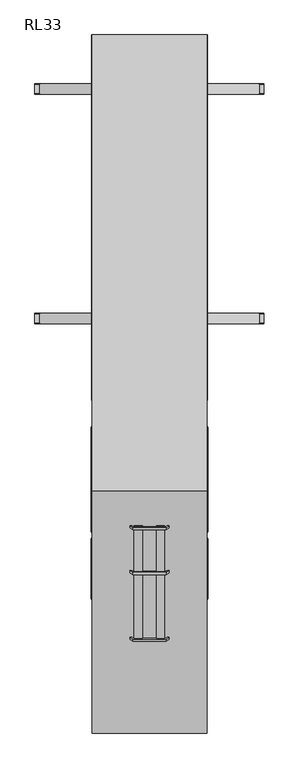
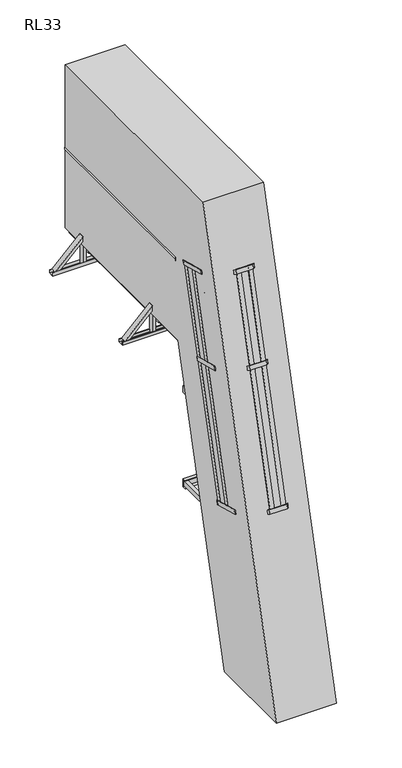
"""IFC4 building model written with IfcOpenShell, lengths in millimetres: proxy geometry, RL33."""

from ifc_helpers import new_model, si_unit, point, frame, frame_2d, origin, place, context, project, spatial, polyline, circle_curve, trimmed, segment, composite_curve, outline, extrude, faceted_brep, source, transform, mapped, element, save
from ifc_brep_helpers import plane_surface, cylinder_surface, advanced_brep


def rl33_bc4b2728(model_context):
    return source(origin(), model_context, "Body", "SolidModel", [
        extrude(outline(polyline([(0.0, 0.0), (50.0, 0.0), (50.0, -12.0), (0.0, -12.0), (0.0, 0.0)])), frame((-350.5, -890.2131523, 2027.6512779), z_axis=(0.0, 0.2588190451025218, 0.9659258262890681), x_axis=(0.0, 0.9659258262890681, -0.2588190451025218)), (0.0, 0.0, 1.0), 2673.4666314),
        extrude(outline(polyline([(155.1413289, 0.0), (205.141329, 0.0), (205.141329, -12.0), (155.1413289, -12.0), (155.1413289, 0.0)])), frame((-350.5, -890.2131523, 2027.6512779), z_axis=(0.0, 0.2588190451025218, 0.9659258262890681), x_axis=(0.0, 0.9659258262890681, -0.2588190451025218)), (0.0, 0.0, 1.0), 2673.4666314),
        extrude(outline(polyline([(-689.6938017, 0.0), (-508.9999999, 0.0), (-326.6307118, -82.9303487), (-125.331423, -385.8857785), (-123.1191169, -480.465669), (-65.9701383, -566.4748818), (-70.9675427, -569.7954163), (-129.0768962, -482.3408392), (-131.2892023, -387.7609487), (-330.6777006, -87.6812588), (-510.3001578, -6.0), (-687.8821736, -6.0), (-851.4445075, -114.6792916), (-920.2481735, -278.3907082), (-914.5411146, -475.6303711), (-715.1526164, -775.710061), (-628.8173362, -814.3942877), (-570.7079827, -901.8488647), (-575.7053871, -905.1693992), (-632.8543656, -819.1601865), (-719.1896458, -780.4759598), (-920.4889347, -477.52053), (-926.2832673, -277.2646295), (-856.2739484, -110.6844828), (-689.6938017, 0.0)])), frame((-674.4464732, -521.7680377, 3557.8992312), z_axis=(0.0, 0.2588190451025218, 0.9659258262890681), x_axis=(-0.8329007332923329, 0.5345650026725307, -0.1432362607680447)), (0.0, 0.0, 1.0), 50.0),
        extrude(outline(polyline([(273.0, 0.0), (423.5, -100.0), (529.5, -270.0), (529.5, -633.7353379), (479.0, -713.7353379), (479.0, -817.0), (473.0, -817.0), (473.0, -712.0), (523.5, -632.0), (523.5, -271.7173421), (419.0965631, -104.2778679), (271.1883719, -6.0), (74.8116281, -6.0), (-73.0965631, -104.2778679), (-177.5, -271.7173421), (-177.5, -632.0), (-127.0, -712.0), (-127.0, -817.0), (-133.0, -817.0), (-133.0, -713.7353379), (-183.5, -633.7353379), (-183.5, -270.0), (-77.5, -100.0), (73.0, 0.0), (273.0, 0.0)])), frame((173.0, -1297.6973377, 2136.8363363), z_axis=(0.0, 0.2588190451025218, 0.9659258262890681), x_axis=(-1.0, 0.0, 0.0)), (0.0, 0.0, 1.0), 50.0),
        extrude(outline(polyline([(-6.6130211, 0.0), (5.3869788, 0.0), (5.3869788, -50.0), (-6.6130211, -50.0), (-6.6130211, 0.0)])), frame((-93.1883719, -1285.5140949, 2133.5718462), z_axis=(0.0, 0.2588190451025218, 0.9659258262890681), x_axis=(0.0, 0.9659258262890681, -0.2588190451025218)), (0.0, 0.0, 1.0), 2673.4666314),
        extrude(outline(polyline([(218.7828094, 218.028353), (212.433594, 228.2110571), (254.8615277, 254.6661216), (261.2107431, 244.4834176), (218.7828094, 218.028353)])), frame((-93.1883719, -1285.5140949, 2133.5718462), z_axis=(0.0, 0.2588190451025218, 0.9659258262890681), x_axis=(0.0, 0.9659258262890681, -0.2588190451025218)), (0.0, 0.0, 1.0), 2673.4666314),
        extrude(outline(polyline([(61.2266141, 107.0986509), (88.8977348, 148.7436876), (98.8925436, 142.1026186), (71.2214228, 100.4575819), (61.2266141, 107.0986509)])), frame((-93.1883719, -1285.5140949, 2133.5718462), z_axis=(0.0, 0.2588190451025218, 0.9659258262890681), x_axis=(0.0, 0.9659258262890681, -0.2588190451025218)), (0.0, 0.0, 1.0), 2673.4666314),
        extrude(outline(polyline([(-6.6130211, -186.3767438), (-6.6130211, -136.3767438), (5.3869788, -136.3767438), (5.3869788, -186.3767438), (-6.6130211, -186.3767438)])), frame((-93.1883719, -1285.5140949, 2133.5718462), z_axis=(0.0, 0.2588190451025218, 0.9659258262890681), x_axis=(0.0, 0.9659258262890681, -0.2588190451025218)), (0.0, 0.0, 1.0), 2673.4666314),
        extrude(outline(polyline([(218.7828094, -404.4050968), (261.2107431, -430.8601614), (254.8615277, -441.0428654), (212.433594, -414.5878009), (218.7828094, -404.4050968)])), frame((-93.1883719, -1285.5140949, 2133.5718462), z_axis=(0.0, 0.2588190451025218, 0.9659258262890681), x_axis=(0.0, 0.9659258262890681, -0.2588190451025218)), (0.0, 0.0, 1.0), 2673.4666314),
        extrude(outline(polyline([(61.2266141, -293.4753947), (71.2214228, -286.8343257), (98.8925436, -328.4793624), (88.8977348, -335.1204314), (61.2266141, -293.4753947)])), frame((-93.1883719, -1285.5140949, 2133.5718462), z_axis=(0.0, 0.2588190451025218, 0.9659258262890681), x_axis=(0.0, 0.9659258262890681, -0.2588190451025218)), (0.0, 0.0, 1.0), 2673.4666314),
        extrude(outline(polyline([(409.24565, -443.6883719), (409.24565, -431.6883719), (459.24565, -431.6883719), (459.24565, -443.6883719), (409.24565, -443.6883719)])), frame((-93.1883719, -1285.5140949, 2133.5718462), z_axis=(0.0, 0.2588190451025218, 0.9659258262890681), x_axis=(0.0, 0.9659258262890681, -0.2588190451025218)), (0.0, 0.0, 1.0), 2673.4666314),
        extrude(outline(polyline([(564.3869788, -443.6883719), (564.3869788, -431.6883719), (614.3869789, -431.6883719), (614.3869789, -443.6883719), (564.3869788, -443.6883719)])), frame((-93.1883719, -1285.5140949, 2133.5718462), z_axis=(0.0, 0.2588190451025218, 0.9659258262890681), x_axis=(0.0, 0.9659258262890681, -0.2588190451025218)), (0.0, 0.0, 1.0), 2673.4666314),
        extrude(outline(polyline([(-689.6938017, 0.0), (-509.0, 1e-07), (-326.6307118, -82.9303487), (-125.331423, -385.8857784), (-123.1191169, -480.465669), (-65.9701383, -566.4748818), (-70.9675427, -569.7954163), (-129.0768962, -482.3408392), (-131.2892023, -387.7609487), (-330.6777006, -87.6812587), (-510.3001578, -6.0), (-687.8821737, -5.9999999), (-851.4445076, -114.6792916), (-920.2481735, -278.3907081), (-914.5411146, -475.630371), (-715.1526164, -775.710061), (-628.8173362, -814.3942877), (-570.7079827, -901.8488647), (-575.7053871, -905.1693992), (-632.8543657, -819.1601864), (-719.1896459, -780.4759597), (-920.4889347, -477.52053), (-926.2832674, -277.2646294), (-856.2739484, -110.6844828), (-689.6938017, 0.0)])), frame((-674.4464732, -250.0080403, 4572.1213488), z_axis=(0.0, 0.2588190451025218, 0.965925826289068), x_axis=(-0.832900733292333, 0.5345650026725307, -0.1432362607680447)), (0.0, 0.0, 1.0), 50.0),
        extrude(outline(composite_curve([segment(polyline([(-216.6799282, 3198.1285392), (-212.2800044, 3214.5492783)]), True, "CONTINUOUS"), segment(trimmed(circle_curve(frame_2d((-193.903855, 3196.1966773)), 25.9711538), [point((-212.2800044, 3214.5492783))], [point((-168.8133422, 3202.9024213))], False, "CARTESIAN"), True, "CONTINUOUS"), segment(polyline([(-168.8133422, 3202.9024213), (-173.213266, 3186.4816822), (-216.6799282, 3198.1285392)]), True, "CONTINUOUS")], self_intersect=False)), frame((-262.0, 0.0, 0.0), z_axis=(1.0, 0.0, 0.0), x_axis=(0.0, 1.0, 0.0)), (0.0, 0.0, 1.0), 524.0),
        extrude(outline(composite_curve([segment(polyline([(-291.3619539, 2919.4114248), (-286.9620302, 2935.8321638)]), True, "CONTINUOUS"), segment(trimmed(circle_curve(frame_2d((-268.5858807, 2917.4795628)), 25.9711538), [point((-286.9620302, 2935.8321638))], [point((-243.495368, 2924.1853068))], False, "CARTESIAN"), True, "CONTINUOUS"), segment(polyline([(-243.495368, 2924.1853068), (-247.8952917, 2907.7645677), (-291.3619539, 2919.4114248)]), True, "CONTINUOUS")], self_intersect=False)), frame((-262.0, 0.0, 0.0), z_axis=(1.0, 0.0, 0.0), x_axis=(0.0, 1.0, 0.0)), (0.0, 0.0, 1.0), 524.0),
        extrude(outline(composite_curve([segment(polyline([(-366.0439797, 2640.6943103), (-361.6440559, 2657.1150493)]), True, "CONTINUOUS"), segment(trimmed(circle_curve(frame_2d((-343.2679065, 2638.7624483)), 25.9711538), [point((-361.6440559, 2657.1150493))], [point((-318.1773937, 2645.4681923))], False, "CARTESIAN"), True, "CONTINUOUS"), segment(polyline([(-318.1773937, 2645.4681923), (-322.5773175, 2629.0474533), (-366.0439797, 2640.6943103)]), True, "CONTINUOUS")], self_intersect=False)), frame((-262.0, 0.0, 0.0), z_axis=(1.0, 0.0, 0.0), x_axis=(0.0, 1.0, 0.0)), (0.0, 0.0, 1.0), 524.0),
        extrude(outline(composite_curve([segment(polyline([(-440.7260054, 2361.9771958), (-436.3260816, 2378.3979349)]), True, "CONTINUOUS"), segment(trimmed(circle_curve(frame_2d((-417.9499322, 2360.0453338)), 25.9711538), [point((-436.3260816, 2378.3979349))], [point((-392.8594195, 2366.7510778))], False, "CARTESIAN"), True, "CONTINUOUS"), segment(polyline([(-392.8594195, 2366.7510778), (-397.2593432, 2350.3303388), (-440.7260054, 2361.9771958)]), True, "CONTINUOUS")], self_intersect=False)), frame((-262.0, 0.0, 0.0), z_axis=(1.0, 0.0, 0.0), x_axis=(0.0, 1.0, 0.0)), (0.0, 0.0, 1.0), 524.0),
        extrude(outline(composite_curve([segment(polyline([(-515.4080312, 2083.2600813), (-511.0081074, 2099.6808204)]), True, "CONTINUOUS"), segment(trimmed(circle_curve(frame_2d((-492.6319579, 2081.3282194)), 25.9711538), [point((-511.0081074, 2099.6808204))], [point((-467.5414452, 2088.0339633))], False, "CARTESIAN"), True, "CONTINUOUS"), segment(polyline([(-467.5414452, 2088.0339633), (-471.941369, 2071.6132243), (-515.4080312, 2083.2600813)]), True, "CONTINUOUS")], self_intersect=False)), frame((-262.0, 0.0, 0.0), z_axis=(1.0, 0.0, 0.0), x_axis=(0.0, 1.0, 0.0)), (0.0, 0.0, 1.0), 524.0),
        extrude(outline(composite_curve([segment(polyline([(-590.0900569, 1804.5429669), (-585.6901331, 1820.9637059)]), True, "CONTINUOUS"), segment(trimmed(circle_curve(frame_2d((-567.3139837, 1802.6111049)), 25.9711538), [point((-585.6901331, 1820.9637059))], [point((-542.2234709, 1809.3168489))], False, "CARTESIAN"), True, "CONTINUOUS"), segment(polyline([(-542.2234709, 1809.3168489), (-546.6233947, 1792.8961098), (-590.0900569, 1804.5429669)]), True, "CONTINUOUS")], self_intersect=False)), frame((-262.0, 0.0, 0.0), z_axis=(1.0, 0.0, 0.0), x_axis=(0.0, 1.0, 0.0)), (0.0, 0.0, 1.0), 524.0),
        extrude(outline(composite_curve([segment(polyline([(-664.7720826, 1525.8258524), (-660.3721589, 1542.2465914)]), True, "CONTINUOUS"), segment(trimmed(circle_curve(frame_2d((-641.9960094, 1523.8939904)), 25.9711538), [point((-660.3721589, 1542.2465914))], [point((-616.9054967, 1530.5997344))], False, "CARTESIAN"), True, "CONTINUOUS"), segment(polyline([(-616.9054967, 1530.5997344), (-621.3054205, 1514.1789953), (-664.7720826, 1525.8258524)]), True, "CONTINUOUS")], self_intersect=False)), frame((-262.0, 0.0, 0.0), z_axis=(1.0, 0.0, 0.0), x_axis=(0.0, 1.0, 0.0)), (0.0, 0.0, 1.0), 524.0),
        extrude(outline(composite_curve([segment(polyline([(-739.4541084, 1247.1087379), (-735.0541846, 1263.5294769)]), True, "CONTINUOUS"), segment(trimmed(circle_curve(frame_2d((-716.6780352, 1245.1768759)), 25.9711538), [point((-735.0541846, 1263.5294769))], [point((-691.5875224, 1251.8826199))], False, "CARTESIAN"), True, "CONTINUOUS"), segment(polyline([(-691.5875224, 1251.8826199), (-695.9874462, 1235.4618809), (-739.4541084, 1247.1087379)]), True, "CONTINUOUS")], self_intersect=False)), frame((-262.0, 0.0, 0.0), z_axis=(1.0, 0.0, 0.0), x_axis=(0.0, 1.0, 0.0)), (0.0, 0.0, 1.0), 524.0),
        extrude(outline(composite_curve([segment(polyline([(-814.1361341, 968.3916234), (-809.7362104, 984.8123625)]), True, "CONTINUOUS"), segment(trimmed(circle_curve(frame_2d((-791.3600609, 966.4597614)), 25.9711538), [point((-809.7362104, 984.8123625))], [point((-766.2695482, 973.1655054))], False, "CARTESIAN"), True, "CONTINUOUS"), segment(polyline([(-766.2695482, 973.1655054), (-770.6694719, 956.7447664), (-814.1361341, 968.3916234)]), True, "CONTINUOUS")], self_intersect=False)), frame((-262.0, 0.0, 0.0), z_axis=(1.0, 0.0, 0.0), x_axis=(0.0, 1.0, 0.0)), (0.0, 0.0, 1.0), 524.0),
        extrude(outline(composite_curve([segment(polyline([(-888.8181599, 689.6745089), (-884.4182361, 706.095248)]), True, "CONTINUOUS"), segment(trimmed(circle_curve(frame_2d((-866.0420867, 687.742647)), 25.9711538), [point((-884.4182361, 706.095248))], [point((-840.9515739, 694.448391))], False, "CARTESIAN"), True, "CONTINUOUS"), segment(polyline([(-840.9515739, 694.448391), (-845.3514977, 678.0276519), (-888.8181599, 689.6745089)]), True, "CONTINUOUS")], self_intersect=False)), frame((-262.0, 0.0, 0.0), z_axis=(1.0, 0.0, 0.0), x_axis=(0.0, 1.0, 0.0)), (0.0, 0.0, 1.0), 524.0),
        extrude(outline(composite_curve([segment(polyline([(-963.5001856, 410.9573945), (-959.1002618, 427.3781335)]), True, "CONTINUOUS"), segment(trimmed(circle_curve(frame_2d((-940.7241124, 409.0255325)), 25.9711538), [point((-959.1002618, 427.3781335))], [point((-915.6335997, 415.7312765))], False, "CARTESIAN"), True, "CONTINUOUS"), segment(polyline([(-915.6335997, 415.7312765), (-920.0335234, 399.3105374), (-963.5001856, 410.9573945)]), True, "CONTINUOUS")], self_intersect=False)), frame((-262.0, 0.0, 0.0), z_axis=(1.0, 0.0, 0.0), x_axis=(0.0, 1.0, 0.0)), (0.0, 0.0, 1.0), 524.0),
        extrude(outline(composite_curve([segment(polyline([(-141.9979024, 3476.8456537), (-137.5979787, 3493.2663928)]), True, "CONTINUOUS"), segment(trimmed(circle_curve(frame_2d((-119.2218292, 3474.9137918)), 25.9711538), [point((-137.5979787, 3493.2663928))], [point((-94.1313165, 3481.6195357))], False, "CARTESIAN"), True, "CONTINUOUS"), segment(polyline([(-94.1313165, 3481.6195357), (-98.5312403, 3465.1987967), (-141.9979024, 3476.8456537)]), True, "CONTINUOUS")], self_intersect=False)), frame((-262.0, 0.0, 0.0), z_axis=(1.0, 0.0, 0.0), x_axis=(0.0, 1.0, 0.0)), (0.0, 0.0, 1.0), 524.0),
        extrude(outline(composite_curve([segment(polyline([(-1038.1822113, 132.24028), (-1033.7822876, 148.661019)]), True, "CONTINUOUS"), segment(trimmed(circle_curve(frame_2d((-1015.4061381, 130.308418)), 25.9711538), [point((-1033.7822876, 148.661019))], [point((-990.3156254, 137.014162))], False, "CARTESIAN"), True, "CONTINUOUS"), segment(polyline([(-990.3156254, 137.014162), (-994.7155492, 120.5934229), (-1038.1822113, 132.24028)]), True, "CONTINUOUS")], self_intersect=False)), frame((-262.0, 0.0, 0.0), z_axis=(1.0, 0.0, 0.0), x_axis=(0.0, 1.0, 0.0)), (0.0, 0.0, 1.0), 524.0),
        extrude(outline(polyline([(-38.0, 0.0), (0.0, 0.0), (0.0, -58.0), (-38.0, -58.0), (-38.0, 0.0)])), frame((262.0, -1075.5190146, 18.0115046), z_axis=(0.0, 0.2588190451025084, 0.9659258262890716), x_axis=(-1.0, 0.0, 0.0)), (0.0, 0.0, 1.0), 4662.5902763),
        extrude(outline(polyline([(-38.0, 0.0), (0.0, 0.0), (0.0, -58.0), (-38.0, -58.0), (-38.0, 0.0)])), frame((-300.0, -1075.5190146, 18.0115046), z_axis=(0.0, 0.2588190451025084, 0.9659258262890716), x_axis=(-1.0, 0.0, 0.0)), (0.0, 0.0, 1.0), 4662.5902763),
        faceted_brep([(-303.5, -1270.3221735, 0.0), (-250.5, -1270.3221735, 0.0), (-250.5, -1270.3221735, 3.0), (-300.5, -1270.3221735, 3.0), (-303.5, -1270.3221735, 3.0), (-300.5, -910.3221735, 3.0), (-250.5, -910.3221735, 3.0), (-250.5, -910.3221735, 0.0), (-303.5, -910.3221735, 0.0), (-303.5, -910.3221735, 3.0), (-300.5, -1223.3221735, 50.0), (-300.5, -957.3221735, 50.0), (-303.5, -957.3221735, 50.0), (-303.5, -1223.3221735, 50.0)], [[[0, 1, 2, 3, 4]], [[5, 6, 7, 8, 9]], [[10, 11, 12, 13]], [[8, 0, 4, 13, 12, 9]], [[1, 0, 8, 7]], [[2, 1, 7, 6]], [[3, 2, 6, 5]], [[3, 5, 11, 10]], [[5, 9, 12, 11]], [[4, 3, 10, 13]]]),
        faceted_brep([(300.5, -1270.3221735, 3.0), (250.5, -1270.3221735, 3.0), (250.5, -1270.3221735, 0.0), (303.5, -1270.3221735, 0.0), (303.5, -1270.3221735, 3.0), (303.5, -910.3221735, 0.0), (250.5, -910.3221735, 0.0), (250.5, -910.3221735, 3.0), (300.5, -910.3221735, 3.0), (303.5, -910.3221735, 3.0), (303.5, -957.3221735, 50.0), (303.5, -1223.3221735, 50.0), (300.5, -957.3221735, 50.0), (300.5, -1223.3221735, 50.0)], [[[0, 1, 2, 3, 4]], [[5, 6, 7, 8, 9]], [[1, 0, 8, 7]], [[2, 1, 7, 6]], [[3, 2, 6, 5]], [[3, 5, 9, 10, 11, 4]], [[11, 10, 12, 13]], [[8, 0, 13, 12]], [[9, 8, 12, 10]], [[0, 4, 11, 13]]]),
        advanced_brep(
        [(309.5, 2400.0, 3986.25), (309.5, 2400.0, 3959.75), (309.5, 41.3809842, 3986.25), (309.5, 41.3809842, 3959.75), (294.5187617, 41.3809842, 3993.0)],
        [
            (0, 1),
            (1, 0, circle_curve(frame((294.5187617, 2400.0, 3973.0), z_axis=(0.0, 1.0, 0.0), x_axis=(-1.0, 0.0, 0.0)), 20.0)),
            (0, 2),
            (2, 3),
            (3, 1),
            (3, 4, circle_curve(frame((294.5187617, 41.3809842, 3973.0), z_axis=(0.0, 1.0, 0.0), x_axis=(-1.0, 0.0, 0.0)), 20.0)),
            (4, 2, circle_curve(frame((294.5187617, 41.3809842, 3973.0), z_axis=(0.0, 1.0, 0.0), x_axis=(-1.0, 0.0, 0.0)), 20.0)),
        ],
        [
            plane_surface(frame((274.5187617, 2400.0, 3973.0), z_axis=(0.0, 1.0, 0.0), x_axis=(0.0, 0.0, 1.0))),
            plane_surface(frame((309.5, 0.0, 3959.75), z_axis=(1.0, 0.0, 0.0), x_axis=(0.0, 1.0, 0.0))),
            cylinder_surface(frame((294.5187617, 2400.0, 3973.0), z_axis=(0.0, -1.0, 0.0), x_axis=(-1.0, 0.0, 0.0)), 20.0),
            plane_surface(frame((372.2487373, 41.3809842, 3500.0), z_axis=(0.0, -1.0, 0.0), x_axis=(-1.0, 0.0, 0.0))),
        ],
        [
            (0, [[1, 2]]),
            (1, [[-1, 3, 4, 5]]),
            (2, [[-2, -5, 6, 7, -3]]),
            (3, [[-4, -7, -6]]),
        ],
    ),
        advanced_brep(
        [(-309.5, 2400.0, 3986.25), (-309.5, 2400.0, 3959.75), (-309.5, 41.3809842, 3959.75), (-309.5, 41.3809842, 3986.25), (-294.5187617, 41.3809842, 3993.0)],
        [
            (0, 1, circle_curve(frame((-294.5187617, 2400.0, 3973.0), z_axis=(0.0, 1.0, 0.0), x_axis=(1.0, 0.0, 0.0)), 20.0)),
            (1, 0),
            (1, 2),
            (2, 3),
            (3, 0),
            (3, 4, circle_curve(frame((-294.5187617, 41.3809842, 3973.0), z_axis=(0.0, 1.0, 0.0), x_axis=(1.0, 0.0, 0.0)), 20.0)),
            (4, 2, circle_curve(frame((-294.5187617, 41.3809842, 3973.0), z_axis=(0.0, 1.0, 0.0), x_axis=(1.0, 0.0, 0.0)), 20.0)),
        ],
        [
            plane_surface(frame((-309.5, 2400.0, 3959.75), z_axis=(0.0, 1.0, 0.0), x_axis=(0.0, 0.0, 1.0))),
            plane_surface(frame((-309.5, 0.0, 3986.25), z_axis=(-1.0, 0.0, 0.0), x_axis=(0.0, 1.0, 0.0))),
            cylinder_surface(frame((-294.5187617, 2400.0, 3973.0), z_axis=(0.0, -1.0, 0.0), x_axis=(1.0, 0.0, 0.0)), 20.0),
            plane_surface(frame((372.2487373, 41.3809842, 3500.0), z_axis=(0.0, -1.0, 0.0), x_axis=(-1.0, 0.0, 0.0))),
        ],
        [
            (0, [[1, 2]]),
            (1, [[-2, 3, 4, 5]]),
            (2, [[-1, -5, 6, 7, -3]]),
            (3, [[-4, -7, -6]]),
        ],
    ),
        advanced_brep(
        [(349.5, 2400.0, 4461.43534), (349.5, 2400.0, 4443.0), (307.5, 2400.0, 4443.0), (307.5, 2400.0, 4461.43534), (349.5, 172.6760885, 4461.43534), (349.5, 172.6760885, 4443.0), (307.5, 172.6760885, 4443.0), (307.5, 172.6760885, 4461.43534), (328.5, 172.6760885, 4500.0)],
        [
            (0, 1),
            (1, 2),
            (2, 3),
            (3, 0, circle_curve(frame((328.5, 2400.0, 4475.0), z_axis=(0.0, 1.0, 0.0), x_axis=(-1.0, 0.0, 0.0)), 25.0)),
            (0, 4),
            (4, 5),
            (5, 1),
            (5, 6),
            (6, 2),
            (6, 7),
            (7, 3),
            (7, 8, circle_curve(frame((328.5, 172.6760885, 4475.0), z_axis=(0.0, 1.0, 0.0), x_axis=(-1.0, 0.0, 0.0)), 25.0)),
            (8, 4, circle_curve(frame((328.5, 172.6760885, 4475.0), z_axis=(0.0, 1.0, 0.0), x_axis=(-1.0, 0.0, 0.0)), 25.0)),
        ],
        [
            plane_surface(frame((303.5, 2400.0, 4475.0), z_axis=(0.0, 1.0, 0.0), x_axis=(0.0, 0.0, 1.0))),
            plane_surface(frame((349.5, 0.0, 4443.0), z_axis=(1.0, 0.0, 0.0), x_axis=(0.0, 1.0, 0.0))),
            plane_surface(frame((307.5, 0.0, 4443.0), z_axis=(0.0, 0.0, -1.0), x_axis=(0.0, 1.0, 0.0))),
            plane_surface(frame((307.5, 0.0, 4461.43534), z_axis=(-1.0, 0.0, 0.0), x_axis=(0.0, 1.0, 0.0))),
            cylinder_surface(frame((328.5, 2400.0, 4475.0), z_axis=(0.0, -1.0, 0.0), x_axis=(-1.0, 0.0, 0.0)), 25.0),
            plane_surface(frame((372.2487373, 172.6760885, 4443.0), z_axis=(0.0, -1.0, 0.0), x_axis=(-1.0, 0.0, 0.0))),
        ],
        [
            (0, [[1, 2, 3, 4]]),
            (1, [[-1, 5, 6, 7]]),
            (2, [[-2, -7, 8, 9]]),
            (3, [[-3, -9, 10, 11]]),
            (4, [[-4, -11, 12, 13, -5]]),
            (5, [[-6, -13, -12, -10, -8]]),
        ],
    ),
        advanced_brep(
        [(-349.5, 2400.0, 4461.43534), (-307.5, 2400.0, 4461.43534), (-307.5, 2400.0, 4443.0), (-349.5, 2400.0, 4443.0), (-349.5, 172.6760885, 4443.0), (-349.5, 172.6760885, 4461.43534), (-307.5, 172.6760885, 4443.0), (-307.5, 172.6760885, 4461.43534), (-328.5, 172.6760885, 4500.0)],
        [
            (0, 1, circle_curve(frame((-328.5, 2400.0, 4475.0), z_axis=(0.0, 1.0, 0.0), x_axis=(1.0, 0.0, 0.0)), 25.0)),
            (1, 2),
            (2, 3),
            (3, 0),
            (3, 4),
            (4, 5),
            (5, 0),
            (2, 6),
            (6, 4),
            (1, 7),
            (7, 6),
            (5, 8, circle_curve(frame((-328.5, 172.6760885, 4475.0), z_axis=(0.0, 1.0, 0.0), x_axis=(1.0, 0.0, 0.0)), 25.0)),
            (8, 7, circle_curve(frame((-328.5, 172.6760885, 4475.0), z_axis=(0.0, 1.0, 0.0), x_axis=(1.0, 0.0, 0.0)), 25.0)),
        ],
        [
            plane_surface(frame((-349.5, 2400.0, 4443.0), z_axis=(0.0, 1.0, 0.0), x_axis=(0.0, 0.0, 1.0))),
            plane_surface(frame((-349.5, 0.0, 4461.43534), z_axis=(-1.0, 0.0, 0.0), x_axis=(0.0, 1.0, 0.0))),
            plane_surface(frame((-349.5, 0.0, 4443.0), z_axis=(0.0, 0.0, -1.0), x_axis=(0.0, 1.0, 0.0))),
            plane_surface(frame((-307.5, 0.0, 4443.0), z_axis=(1.0, 0.0, 0.0), x_axis=(0.0, 1.0, 0.0))),
            cylinder_surface(frame((-328.5, 2400.0, 4475.0), z_axis=(0.0, -1.0, 0.0), x_axis=(1.0, 0.0, 0.0)), 25.0),
            plane_surface(frame((372.2487373, 172.6760885, 4443.0), z_axis=(0.0, -1.0, 0.0), x_axis=(-1.0, 0.0, 0.0))),
        ],
        [
            (0, [[1, 2, 3, 4]]),
            (1, [[-4, 5, 6, 7]]),
            (2, [[-3, 8, 9, -5]]),
            (3, [[-2, 10, 11, -8]]),
            (4, [[-1, -7, 12, 13, -10]]),
            (5, [[-6, -9, -11, -13, -12]]),
        ],
    ),
        extrude(outline(polyline([(300.0, 2400.0), (300.0, -80.0), (-300.0, -80.0), (-300.0, 2400.0), (300.0, 2400.0)]), holes=[polyline([(262.0, 2362.0), (-262.0, 2362.0), (-262.0, -42.0), (262.0, -42.0), (262.0, 2362.0)])]), frame((0.0, 0.0, 3424.2375855), z_axis=(0.0, 0.0, 1.0), x_axis=(1.0, 0.0, 0.0)), (0.0, 0.0, 1.0), 57.2624145),
        extrude(outline(polyline([(699.5, 3288.0), (702.5, 3288.0), (702.5, 3250.0), (637.5, 3250.0), (637.5, 3288.0), (640.5, 3288.0), (640.5, 3253.0), (699.5, 3253.0), (699.5, 3288.0)])), frame((-700.0, 0.0, 0.0), z_axis=(1.0, 0.0, 0.0), x_axis=(0.0, 1.0, 0.0)), (0.0, 0.0, 1.0), 1400.0),
        extrude(outline(polyline([(2102.5, 3288.0), (2102.5, 3250.0), (2037.5, 3250.0), (2037.5, 3288.0), (2040.5, 3288.0), (2040.5, 3253.0), (2099.5, 3253.0), (2099.5, 3288.0), (2102.5, 3288.0)])), frame((-700.0, 0.0, 0.0), z_axis=(1.0, 0.0, 0.0), x_axis=(0.0, 1.0, 0.0)), (0.0, 0.0, 1.0), 1400.0),
        extrude(outline(polyline([(-29.0, -38.0), (-32.0, -38.0), (-32.0, 0.0), (32.0, 0.0), (32.0, -38.0), (29.0, -38.0), (29.0, -2.9999999), (-29.0, -2.9999999), (-29.0, -38.0)])), frame((670.0, 670.0, 3288.0), z_axis=(-0.7071067811865459, 0.0, 0.7071067811865492), x_axis=(0.0, -1.0, 0.0)), (0.0, 0.0, 1.0), 456.0838739),
        extrude(outline(polyline([(-29.0, 38.0), (-29.0, 2.9999999), (29.0, 2.9999999), (29.0, 38.0), (32.0, 38.0), (32.0, 0.0), (-32.0, 0.0), (-32.0, 38.0), (-29.0, 38.0)])), frame((-670.0, 670.0, 3288.0), z_axis=(0.7071067811865526, 0.0, 0.7071067811865425), x_axis=(0.0, -1.0, 0.0)), (0.0, 0.0, 1.0), 456.0838739),
        extrude(outline(polyline([(-29.0, -38.0), (-32.0, -38.0), (-32.0, 0.0), (32.0, 0.0), (32.0, -38.0), (29.0, -38.0), (29.0, -2.9999999), (-29.0, -2.9999999), (-29.0, -38.0)])), frame((670.0, 2070.0, 3288.0), z_axis=(-0.7071067811865461, 0.0, 0.7071067811865491), x_axis=(0.0, -1.0, 0.0)), (0.0, 0.0, 1.0), 456.0838739),
        extrude(outline(polyline([(-29.0, 38.0), (-29.0, 2.9999999), (29.0, 2.9999999), (29.0, 38.0), (32.0, 38.0), (32.0, 0.0), (-32.0, 0.0), (-32.0, 38.0), (-29.0, 38.0)])), frame((-670.0, 2070.0, 3288.0), z_axis=(0.7071067811865526, 0.0, 0.7071067811865425), x_axis=(0.0, -1.0, 0.0)), (0.0, 0.0, 1.0), 456.0838739),
        extrude(outline(polyline([(347.5, 699.0), (347.5, 641.0), (309.5, 641.0), (309.5, 699.0), (347.5, 699.0)])), frame((0.0, 0.0, 3253.0), z_axis=(0.0, 0.0, 1.0), x_axis=(1.0, 0.0, 0.0)), (0.0, 0.0, 1.0), 1190.0),
        extrude(outline(polyline([(347.5, 2099.0), (347.5, 2041.0), (309.5, 2041.0), (309.5, 2099.0), (347.5, 2099.0)])), frame((0.0, 0.0, 3253.0), z_axis=(0.0, 0.0, 1.0), x_axis=(1.0, 0.0, 0.0)), (0.0, 0.0, 1.0), 1190.0),
        extrude(outline(polyline([(-309.5, 2099.0), (-309.5, 2041.0), (-347.5, 2041.0), (-347.5, 2099.0), (-309.5, 2099.0)])), frame((0.0, 0.0, 3253.0), z_axis=(0.0, 0.0, 1.0), x_axis=(1.0, 0.0, 0.0)), (0.0, 0.0, 1.0), 1190.0),
        extrude(outline(polyline([(-309.5, 699.0), (-309.5, 641.0), (-347.5, 641.0), (-347.5, 699.0), (-309.5, 699.0)])), frame((0.0, 0.0, 3253.0), z_axis=(0.0, 0.0, 1.0), x_axis=(1.0, 0.0, 0.0)), (0.0, 0.0, 1.0), 1190.0),
        extrude(outline(polyline([(300.0, 2400.0), (300.0, -80.0), (-300.0, -80.0), (-300.0, 2400.0), (300.0, 2400.0)])), frame((0.0, 0.0, 3481.5), z_axis=(0.0, 0.0, 1.0), x_axis=(1.0, 0.0, 0.0)), (0.0, 0.0, 1.0), 18.5),
        extrude(outline(polyline([(0.0, -75.0156698), (0.0, 0.0), (6.0, 0.0), (6.0, -75.0156698), (0.0, -75.0156698)])), frame((300.0, -18.0012303, 3424.2375855), z_axis=(0.0, -0.2282093973208809, 0.9736120741724809), x_axis=(1.0, 0.0, 0.0)), (0.0, 0.0, 1.0), 56.5477611),
        extrude(outline(polyline([(0.0, -75.0156698), (0.0, 0.0), (6.0, 0.0), (6.0, -75.0156698), (0.0, -75.0156698)])), frame((-300.0, -91.0373922, 3407.1183047), z_axis=(0.0, -0.22820939732088133, 0.9736120741724807), x_axis=(-1.0, 0.0, 0.0)), (0.0, 0.0, 1.0), 56.5477611),
        extrude(outline(polyline([(300.0, 1990.0), (300.0, 2150.0), (309.5, 2150.0), (309.5, 1990.0), (300.0, 1990.0)])), frame((0.0, 0.0, 3420.0), z_axis=(0.0, 0.0, 1.0), x_axis=(1.0, 0.0, 0.0)), (0.0, 0.0, 1.0), 80.0),
        extrude(outline(polyline([(300.0, 590.0), (300.0, 750.0), (309.5, 750.0), (309.5, 590.0), (300.0, 590.0)])), frame((0.0, 0.0, 3420.0), z_axis=(0.0, 0.0, 1.0), x_axis=(1.0, 0.0, 0.0)), (0.0, 0.0, 1.0), 80.0),
        extrude(outline(polyline([(-300.0, 2150.0), (-300.0, 1990.0), (-309.5, 1990.0), (-309.5, 2150.0), (-300.0, 2150.0)])), frame((0.0, 0.0, 3420.0), z_axis=(0.0, 0.0, 1.0), x_axis=(1.0, 0.0, 0.0)), (0.0, 0.0, 1.0), 80.0),
        extrude(outline(polyline([(-300.0, 750.0), (-300.0, 590.0), (-309.5, 590.0), (-309.5, 750.0), (-300.0, 750.0)])), frame((0.0, 0.0, 3420.0), z_axis=(0.0, 0.0, 1.0), x_axis=(1.0, 0.0, 0.0)), (0.0, 0.0, 1.0), 80.0),
        extrude(outline(polyline([(262.0, 1831.0), (262.0, 1793.0), (-262.0, 1793.0), (-262.0, 1831.0), (262.0, 1831.0)])), frame((0.0, 0.0, 3423.5), z_axis=(0.0, 0.0, 1.0), x_axis=(1.0, 0.0, 0.0)), (0.0, 0.0, 1.0), 58.0),
        extrude(outline(polyline([(262.0, 1240.5), (262.0, 1202.5), (-262.0, 1202.5), (-262.0, 1240.5), (262.0, 1240.5)])), frame((0.0, 0.0, 3423.5), z_axis=(0.0, 0.0, 1.0), x_axis=(1.0, 0.0, 0.0)), (0.0, 0.0, 1.0), 58.0),
        extrude(outline(polyline([(262.0, 650.0), (262.0, 612.0), (-262.0, 612.0), (-262.0, 650.0), (262.0, 650.0)])), frame((0.0, 0.0, 3423.5), z_axis=(0.0, 0.0, 1.0), x_axis=(1.0, 0.0, 0.0)), (0.0, 0.0, 1.0), 58.0),
        extrude(outline(polyline([(-812.7669374, 0.0), (-1856.802318, 0.0), (-383.0817597, 5500.0), (2400.0, 5500.0), (2400.0, 3500.0), (125.0552361, 3500.0), (-812.7669374, 0.0)])), frame((-350.0, 0.0, 0.0), z_axis=(1.0, 0.0, 0.0), x_axis=(0.0, 1.0, 0.0)), (0.0, 0.0, 1.0), 700.0),
        extrude(outline(polyline([(306.5, 101.047439), (306.5, -272.7695155), (300.5, -272.7695155), (300.5, 95.0), (-300.5, 95.0), (-300.5, -272.7695155), (-306.5, -272.7695155), (-306.5, 101.047439), (306.5, 101.047439)])), frame((0.0, 0.0, 2860.0), z_axis=(0.0, 0.0, 1.0), x_axis=(1.0, 0.0, 0.0)), (0.0, 0.0, 1.0), 80.0),
        extrude(outline(polyline([(100.0, 1800.0), (100.0, 1700.0), (55.0, 1700.0), (55.0, 1705.0), (95.0, 1705.0), (95.0, 1795.0), (55.0, 1795.0), (55.0, 1800.0), (100.0, 1800.0)])), frame((-306.5, 0.0, 0.0), z_axis=(1.0, 0.0, 0.0), x_axis=(0.0, 1.0, 0.0)), (0.0, 0.0, 1.0), 613.0),
        extrude(outline(polyline([(306.5, -530.9110868), (306.5, -580.9110868), (300.5, -580.9110868), (300.5, -530.9110868), (306.5, -530.9110868)])), frame((0.0, 0.0, 1721.0), z_axis=(0.0, 0.0, 1.0), x_axis=(1.0, 0.0, 0.0)), (0.0, 0.0, 1.0), 58.0),
        extrude(outline(polyline([(-306.5, -580.9110868), (-306.5, -530.9110868), (-300.5, -530.9110868), (-300.5, -580.9110868), (-306.5, -580.9110868)])), frame((0.0, 0.0, 1721.0), z_axis=(0.0, 0.0, 1.0), x_axis=(1.0, 0.0, 0.0)), (0.0, 0.0, 1.0), 58.0),
        extrude(outline(polyline([(300.5, 95.0), (300.5, -543.6175509), (262.5, -543.6175509), (262.5, 95.0), (300.5, 95.0)])), frame((0.0, 0.0, 1721.0), z_axis=(0.0, 0.0, 1.0), x_axis=(1.0, 0.0, 0.0)), (0.0, 0.0, 1.0), 58.0),
        extrude(outline(polyline([(-262.5, 95.0), (-262.5, -543.6175509), (-300.5, -543.6175509), (-300.5, 95.0), (-262.5, 95.0)])), frame((0.0, 0.0, 1721.0), z_axis=(0.0, 0.0, 1.0), x_axis=(1.0, 0.0, 0.0)), (0.0, 0.0, 1.0), 58.0),
    ])


if __name__ == "__main__":
    model = new_model("IFC4")
    model_context = context("Model", 3, world=origin())
    ifc_project = project(units=[si_unit("LENGTHUNIT", "METRE", prefix="MILLI")], contexts=[model_context])
    site = spatial("IfcSite", under=ifc_project)
    building = spatial("IfcBuilding", under=site)
    placement = place(None, origin())
    rl33_shape = rl33_bc4b2728(model_context)
    element("IfcBuildingElementProxy", 1, Name="RL33", ObjectType="RL33", at=placement, inside=building, context=model_context, shape_type="MappedRepresentation", body=[
        mapped(rl33_shape, transform((0.0, 0.0, 0.0), x_axis=(1.0, 0.0, 0.0), y_axis=(0.0, 1.0, 0.0), z_axis=(0.0, 0.0, 1.0))),
    ])
    save(model, "model.ifc")
